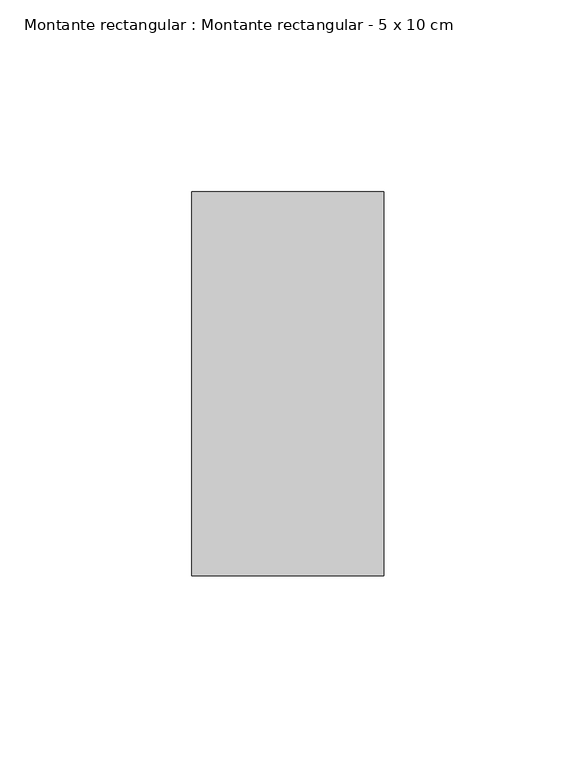
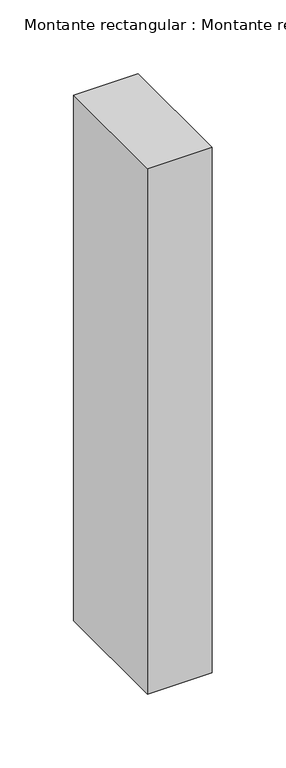
"""IFC4 building model written with IfcOpenShell, lengths in millimetres: member geometry, Montante rectangular : Montante rectangular - 5 x 10 cm."""

from ifc_helpers import new_model, si_unit, frame, origin, place, context, project, spatial, polyline, outline, extrude, source, transform, mapped, element, save


def montante_rectangular_montante_rectangular_5_x_10_cm_cd812211(model_context):
    return source(origin(), model_context, "Body", "SweptSolid", [
        extrude(outline(polyline([(25.0, 50.0), (25.0, -50.0), (-25.0, -50.0), (-25.0, 50.0), (25.0, 50.0)])), frame((0.0, 0.0, -433.3333333), z_axis=(0.0, 0.0, 1.0), x_axis=(1.0, 0.0, 0.0)), (0.0, 0.0, 1.0), 433.3333333),
    ])


if __name__ == "__main__":
    model = new_model("IFC4")
    model_context = context("Model", 3, world=origin())
    ifc_project = project(units=[si_unit("LENGTHUNIT", "METRE", prefix="MILLI")], contexts=[model_context])
    site = spatial("IfcSite", under=ifc_project)
    building = spatial("IfcBuilding", under=site)
    placement = place(None, origin())
    montante_rectangular_montante_rectangular_5_x_10_cm_shape = montante_rectangular_montante_rectangular_5_x_10_cm_cd812211(model_context)
    element("IfcMember", 1, ObjectType="Montante rectangular : Montante rectangular - 5 x 10 cm", at=placement, inside=building, context=model_context, shape_type="MappedRepresentation", body=[
        mapped(montante_rectangular_montante_rectangular_5_x_10_cm_shape, transform((0.0, 0.0, 0.0), x_axis=(1.0, 0.0, 0.0), y_axis=(0.0, 1.0, 0.0), z_axis=(0.0, 0.0, 1.0))),
    ])
    save(model, "model.ifc")
